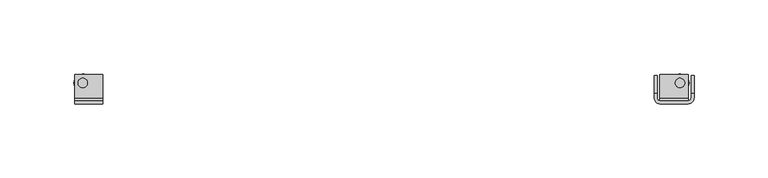
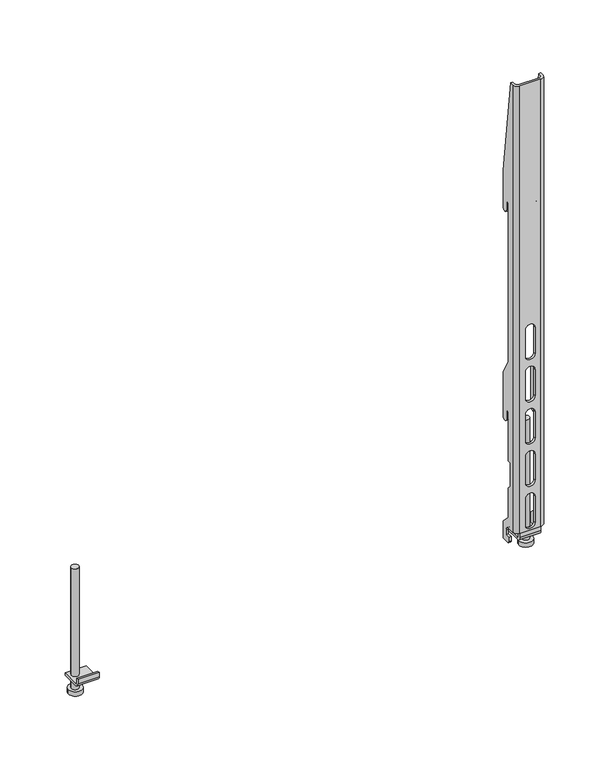
"""IFC4 building model written with IfcOpenShell, lengths in millimetres: furniture geometry."""

import ifcopenshell
import ifcopenshell.guid

model = None  # the IFC model being written
_history = None  # IfcOwnerHistory: only IFC2X3 demands one
_inside = {}  # id of a spatial element -> (the spatial element, [elements in it])
_under = {}  # id of a project, library or spatial element -> (it, [spatial elements below it])
_declared = {}  # id of a project -> (the project, [libraries it declares])
_typed = {}  # id of a type object -> (the type object, [elements of that type])
_made_of = {}  # id of a material, layer set ... -> (it, [elements and type objects made of it])


def new_model(schema):
    """Start an empty IFC model of exactly this schema.

    Asked for "IFC4X3", IfcOpenShell would pick the latest addendum, in which some entities
    have other attributes; the version numbers below select the first issue.
    IFC2X3 requires an IfcOwnerHistory on every rooted entity: one is made here for all.
    """
    global model, _history
    if schema == "IFC4X3":
        model = ifcopenshell.file(schema_version=(4, 3, 0, 0))
    else:
        model = ifcopenshell.file(schema=schema)
    _inside.clear()
    _under.clear()
    _declared.clear()
    _typed.clear()
    _made_of.clear()
    _history = None
    if model.schema == "IFC2X3":
        org = make("IfcOrganization", Name="unknown")
        user = make(
            "IfcPersonAndOrganization",
            ThePerson=make("IfcPerson", FamilyName="unknown"),
            TheOrganization=org,
        )
        app = make(
            "IfcApplication",
            ApplicationDeveloper=org,
            Version="unknown",
            ApplicationFullName="unknown",
            ApplicationIdentifier="unknown",
        )
        _history = make(
            "IfcOwnerHistory",
            OwningUser=user,
            OwningApplication=app,
            ChangeAction="ADDED",
            CreationDate=0,
        )
    return model


def make(cls, **values):
    """One entity of the class cls with the attributes given. An attribute that is None is left unset."""
    return model.create_entity(
        cls, **{name: value for name, value in values.items() if value is not None}
    )


def rooted(cls, **values):
    """An entity with a GlobalId (a new one), such as an element, a storey or a relation."""
    return make(cls, GlobalId=ifcopenshell.guid.new(), OwnerHistory=_history, **values)


def si_unit(unit_type, name, prefix=None):
    """IfcSIUnit, for example si_unit("LENGTHUNIT", "METRE", prefix="MILLI")."""
    return make("IfcSIUnit", UnitType=unit_type, Prefix=prefix, Name=name)


def assignment(units):
    """IfcUnitAssignment: the units of a project."""
    return None if units is None else make("IfcUnitAssignment", Units=units)


def point(xyz):
    """IfcCartesianPoint."""
    return None if xyz is None else make("IfcCartesianPoint", Coordinates=xyz)


def direction(xyz):
    """IfcDirection."""
    return None if xyz is None else make("IfcDirection", DirectionRatios=xyz)


def frame(location, z_axis=None, x_axis=None):
    """IfcAxis2Placement3D, a coordinate frame: its origin and axes. An axis left out is left unset."""
    return make(
        "IfcAxis2Placement3D",
        Location=point(location),
        Axis=direction(z_axis),
        RefDirection=direction(x_axis),
    )


def frame_2d(location, x_axis=None):
    """IfcAxis2Placement2D, a coordinate frame in the plane: its origin and x axis."""
    return make(
        "IfcAxis2Placement2D", Location=point(location), RefDirection=direction(x_axis)
    )


def origin():
    """The frame at (0, 0, 0) with its axes left unset."""
    return frame((0.0, 0.0, 0.0))


def place(relative_to, where):
    """IfcLocalPlacement: puts the frame where relative to a parent placement (None: the world)."""
    return make(
        "IfcLocalPlacement", PlacementRelTo=relative_to, RelativePlacement=where
    )


def context(
    kind, dimensions, precision=None, world=None, true_north=None, identifier=None
):
    """IfcGeometricRepresentationContext, for example the 3D "Model" context."""
    return make(
        "IfcGeometricRepresentationContext",
        ContextIdentifier=identifier,
        ContextType=kind,
        CoordinateSpaceDimension=dimensions,
        Precision=precision,
        WorldCoordinateSystem=world,
        TrueNorth=true_north,
    )


def project(units=None, contexts=None):
    """IfcProject with its units and contexts."""
    return rooted(
        "IfcProject",
        Name="project",
        RepresentationContexts=contexts,
        UnitsInContext=assignment(units),
    )


def spatial(cls, under=None, at=None, **own):
    """A site, building, storey or space (cls), placed at a placement, below another one or the project."""
    s = rooted(cls, ObjectPlacement=at, **own)
    if under is not None:
        _under.setdefault(under.id(), (under, []))[1].append(s)
    return s


def polyline(points):
    """IfcPolyline through the points."""
    return make("IfcPolyline", Points=[point(p) for p in points])


def circle_curve(where, radius):
    """IfcCircle in the frame where."""
    return make("IfcCircle", Position=where, Radius=radius)


def trimmed(basis, trim1, trim2, sense, master):
    """IfcTrimmedCurve: the piece of a basis curve between two trims."""
    return make(
        "IfcTrimmedCurve",
        BasisCurve=basis,
        Trim1=trim1,
        Trim2=trim2,
        SenseAgreement=sense,
        MasterRepresentation=master,
    )


def segment(curve, same_sense, transition):
    """IfcCompositeCurveSegment."""
    return make(
        "IfcCompositeCurveSegment",
        Transition=transition,
        SameSense=same_sense,
        ParentCurve=curve,
    )


def composite_curve(segments, self_intersect=None):
    """IfcCompositeCurve: segments joined end to end."""
    return make("IfcCompositeCurve", Segments=segments, SelfIntersect=self_intersect)


def outline(outer, holes=None, kind="AREA"):
    """IfcArbitraryClosedProfileDef: a profile drawn as a closed curve; with holes, ...WithVoids."""
    if holes is None:
        return make("IfcArbitraryClosedProfileDef", ProfileType=kind, OuterCurve=outer)
    return make(
        "IfcArbitraryProfileDefWithVoids",
        ProfileType=kind,
        OuterCurve=outer,
        InnerCurves=holes,
    )


def extrude(swept, where, along, depth):
    """IfcExtrudedAreaSolid: the profile swept, set in the frame where, extruded along a direction by depth."""
    return make(
        "IfcExtrudedAreaSolid",
        SweptArea=swept,
        Position=where,
        ExtrudedDirection=direction(along),
        Depth=depth,
    )


def shape(context_of_items, identifier, shape_type, items):
    """IfcShapeRepresentation: the items that make up one representation, for example the "Body"."""
    return make(
        "IfcShapeRepresentation",
        ContextOfItems=context_of_items,
        RepresentationIdentifier=identifier,
        RepresentationType=shape_type,
        Items=items,
    )


def source(mapping_origin, context_of_items, identifier, shape_type, items):
    """IfcRepresentationMap: a shape defined once, which mapped items show again and again."""
    return make(
        "IfcRepresentationMap",
        MappingOrigin=mapping_origin,
        MappedRepresentation=shape(context_of_items, identifier, shape_type, items),
    )


def transform(
    local_origin,
    x_axis=None,
    y_axis=None,
    z_axis=None,
    scale=None,
    scale2=None,
    scale3=None,
    uniform=True,
):
    """IfcCartesianTransformationOperator3D, or its non-uniform kind. x_axis, y_axis, z_axis: its Axis1, 2, 3."""
    if uniform:
        return make(
            "IfcCartesianTransformationOperator3D",
            Axis1=direction(x_axis),
            Axis2=direction(y_axis),
            LocalOrigin=point(local_origin),
            Scale=scale,
            Axis3=direction(z_axis),
        )
    return make(
        "IfcCartesianTransformationOperator3DnonUniform",
        Axis1=direction(x_axis),
        Axis2=direction(y_axis),
        LocalOrigin=point(local_origin),
        Scale=scale,
        Axis3=direction(z_axis),
        Scale2=scale2,
        Scale3=scale3,
    )


def mapped(mapping_source, mapping_target):
    """IfcMappedItem: shows the shape of a source again, moved by a transform."""
    return make(
        "IfcMappedItem", MappingSource=mapping_source, MappingTarget=mapping_target
    )


def made_of(thing, what):
    """Note that an element or type object is made of a material, layer set ...; save() writes the relation."""
    if what is not None:
        _made_of.setdefault(what.id(), (what, []))[1].append(thing)
    return thing


def element(
    cls,
    number,
    at=None,
    inside=None,
    cuts=None,
    type_object=None,
    material=None,
    context=None,
    identifier="Body",
    shape_type=None,
    held_by="IfcProductDefinitionShape",
    body=None,
    shapes=None,
    **own,
):
    """One element of the class cls, such as IfcWall. Its Tag is "e" and its number.

    at: its placement. inside: the storey or other place that contains it. cuts: it is an
    opening in that element (IfcRelVoidsElement). A single representation is given by context,
    identifier, shape_type and body (its items); several are given by shapes. held_by: the class
    of the entity that holds the representations. save() writes the other relations.
    """
    e = rooted(cls, Tag="e%d" % number, ObjectPlacement=at, **own)
    if body is not None:
        shapes = [shape(context, identifier, shape_type, body)]
    if shapes is not None:
        e.Representation = make(held_by, Representations=shapes)
    if inside is not None:
        _inside.setdefault(inside.id(), (inside, []))[1].append(e)
    if cuts is not None:
        rooted(
            "IfcRelVoidsElement", RelatingBuildingElement=cuts, RelatedOpeningElement=e
        )
    if type_object is not None:
        _typed.setdefault(type_object.id(), (type_object, []))[1].append(e)
    return made_of(e, material)


def aggregate(whole, parts):
    """IfcRelAggregates: a whole, such as a stair, and the parts it consists of."""
    return rooted("IfcRelAggregates", RelatingObject=whole, RelatedObjects=parts)


def save(model, path):
    """Write the relations noted so far, then the file.

    IfcRelAggregates (storeys below a building ...), IfcRelContainedInSpatialStructure (elements
    in a storey), IfcRelDefinesByType, IfcRelAssociatesMaterial and IfcRelDeclares: one each for
    every whole, place, type object, material and project.
    """
    for whole, parts in _under.values():
        aggregate(whole, parts)
    for where, things in _inside.values():
        rooted(
            "IfcRelContainedInSpatialStructure",
            RelatedElements=things,
            RelatingStructure=where,
        )
    for kind, things in _typed.values():
        rooted("IfcRelDefinesByType", RelatedObjects=things, RelatingType=kind)
    for what, things in _made_of.values():
        rooted("IfcRelAssociatesMaterial", RelatedObjects=things, RelatingMaterial=what)
    for by, libraries in _declared.values():
        rooted("IfcRelDeclares", RelatingContext=by, RelatedDefinitions=libraries)
    model.write(path)


def plane_surface(at):
    """IfcPlane: the flat surface through the origin of the frame at, square to its z axis."""
    return make("IfcPlane", Position=at)


def cylinder_surface(at, radius):
    """IfcCylindricalSurface: all points at the distance radius from the z axis of the frame at."""
    return make("IfcCylindricalSurface", Position=at, Radius=radius)


def revolved_surface(curve, axis_point, axis_direction):
    """IfcSurfaceOfRevolution: the curve turned about the line through axis_point along axis_direction."""
    return make(
        "IfcSurfaceOfRevolution",
        SweptCurve=make("IfcArbitraryOpenProfileDef", ProfileType="CURVE", Curve=curve),
        AxisPosition=make("IfcAxis1Placement", Location=point(axis_point), Axis=direction(axis_direction)),
    )


def advanced_brep(points, edges, surfaces, faces):
    """IfcAdvancedBrep: a solid bounded by faces that lie on surfaces and meet in shared edges.

    An edge is (start, end): straight between two places in points (the first is 0);
    or (start, end, curve); or (start, end, curve, False) where it runs against its curve.
    A face is (place in surfaces, loops), or (place, loops, False) where it looks against
    its surface's normal. A loop lists edges by number (the first is 1), with a minus sign
    where the edge is run from its end to its start. The first loop is the outer one.
    """
    corners = [point(p) for p in points]
    vertices = [make("IfcVertexPoint", VertexGeometry=c) for c in corners]
    made = []
    for start, end, *more in edges:
        made.append(
            make(
                "IfcEdgeCurve",
                EdgeStart=vertices[start],
                EdgeEnd=vertices[end],
                EdgeGeometry=more[0] if more else make("IfcPolyline", Points=[corners[start], corners[end]]),
                SameSense=more[1] if len(more) > 1 else True,
            )
        )
    hull = []
    for where, loops, *sense in faces:
        bounds = []
        for j, loop in enumerate(loops):
            ring = [make("IfcOrientedEdge", EdgeElement=made[abs(k) - 1], Orientation=k > 0) for k in loop]
            bounds.append(
                make(
                    "IfcFaceOuterBound" if j == 0 else "IfcFaceBound",
                    Bound=make("IfcEdgeLoop", EdgeList=ring),
                    Orientation=True,
                )
            )
        hull.append(make("IfcAdvancedFace", Bounds=bounds, FaceSurface=surfaces[where], SameSense=sense[0] if sense else True))
    return make("IfcAdvancedBrep", Outer=make("IfcClosedShell", CfsFaces=hull))


def furniture_352cd679(model_context):
    return source(origin(), model_context, "Body", "SolidModel", [
        extrude(outline(composite_curve([segment(polyline([(-36.9636277, 991.8279774), (-34.9636271, 991.8279774), (-34.9636271, 987.8279081)]), True, "CONTINUOUS"), segment(trimmed(circle_curve(frame_2d((-32.9636266, 987.8279081)), 2.0000006), [point((-34.9636271, 987.8279081))], [point((-32.9636266, 985.8279076))], True, "CARTESIAN"), True, "CONTINUOUS"), segment(polyline([(-32.9636266, 985.8279076), (-16.9636278, 985.8279076), (-16.9636278, 983.827957), (-32.9636266, 983.827957)]), True, "CONTINUOUS"), segment(trimmed(circle_curve(frame_2d((-32.9636266, 987.8279581)), 4.0000011), [point((-32.9636266, 983.827957))], [point((-36.9636277, 987.8279581))], False, "CARTESIAN"), True, "CONTINUOUS"), segment(polyline([(-36.9636277, 987.8279581), (-36.9636277, 991.8279774)]), True, "CONTINUOUS")], self_intersect=False)), frame((-209.6576124, 0.0, 0.0), z_axis=(1.0, 0.0, 0.0), x_axis=(0.0, 1.0, 0.0)), (0.0, 0.0, 1.0), 19.0000031),
        extrude(outline(composite_curve([segment(trimmed(circle_curve(frame_2d((-204.1576029, -22.8036272)), 3.1749879), [point((-207.3325908, -22.8036272))], [point((-200.9826151, -22.8036272))], False, "CARTESIAN"), True, "CONTINUOUS"), segment(trimmed(circle_curve(frame_2d((-204.1576029, -22.8036272)), 3.1749879), [point((-200.9826151, -22.8036272))], [point((-207.3325908, -22.8036272))], False, "CARTESIAN"), True, "CONTINUOUS")], self_intersect=False)), frame((0.0, 0.0, 973.8279133), z_axis=(0.0, 0.0, 1.0), x_axis=(1.0, 0.0, 0.0)), (0.0, 0.0, 1.0), 114.3),
        advanced_brep(
        [(181.8882982, -32.9636356, 1415.6279085), (185.8882902, -36.9636277, 1415.6279085), (204.8882842, -36.9636277, 1415.6279085), (208.8882853, -32.9636266, 1415.6279085), (208.8882853, -29.9636247, 1415.6279085), (206.8882984, -29.9636247, 1415.6279085), (206.8882984, -32.9636266, 1415.6279085), (204.8882978, -34.9636271, 1415.6279085), (185.8882902, -34.9636271, 1415.6279085), (183.8882851, -32.963622, 1415.6279085), (183.8882851, -29.9636247, 1415.6279085), (181.8882982, -29.9636247, 1415.6279085), (206.8882984, -17.9636269, 977.3279177), (208.8882853, -17.9636269, 977.3279177), (208.8882853, -24.9636266, 977.3279177), (206.8882984, -24.9636266, 977.3279177), (181.8882982, -17.9636269, 977.3279177), (183.8882851, -17.9636269, 977.3279177), (183.8882851, -24.9636266, 977.3279177), (181.8882982, -24.9636266, 977.3279177), (181.8882982, -17.9636269, 1325.6279783), (181.8882982, -17.9636269, 1291.4779284), (181.8882982, -23.4636273, 1291.4779284), (181.8882982, -23.4636273, 1299.7278608), (181.8882982, -26.4636259, 1299.7278608), (181.8882982, -26.4636259, 1149.7279041), (181.8882982, -17.9636269, 1135.0055308), (181.8882982, -17.9636269, 1093.4779501), (181.8882982, -23.4636273, 1093.4779501), (181.8882982, -23.4636273, 1101.7279552), (181.8882982, -26.4636259, 1101.7279552), (181.8882982, -26.4636259, 1055.2279593), (181.8882982, -29.4636267, 1055.2279593), (181.8882982, -29.4636267, 1033.1510365), (181.8882982, -26.4636259, 1029.7697004), (181.8882982, -26.4636259, 1001.7278977), (181.8882982, -17.9636269, 993.2278975), (181.8882982, -26.9636272, 979.3279182), (181.8882982, -26.9636272, 983.3279148), (181.8882982, -22.963626, 983.3279148), (181.8882982, -22.963626, 987.8279308), (181.8882982, -26.9636726, 991.8279774), (181.8882982, -32.9636356, 991.8279774), (183.8882851, -17.9636269, 993.2278975), (183.8882851, -17.9636269, 1325.6279783), (183.8882851, -17.9636269, 1291.4779284), (183.8882851, -17.9636269, 1135.0055308), (183.8882851, -17.9636269, 1093.4779501), (183.8882851, -32.963622, 991.8279774), (183.8882851, -26.9636726, 991.8279774), (183.8882851, -22.963626, 987.8279308), (183.8882851, -22.963626, 983.3279148), (183.8882851, -26.9636272, 983.3279148), (183.8882851, -26.9636272, 979.3279182), (183.8882851, -26.4636259, 1001.7278977), (183.8882851, -26.4636259, 1029.7697004), (183.8882851, -29.4636267, 1033.1510365), (183.8882851, -29.4636267, 1055.2279593), (183.8882851, -26.4636259, 1055.2279593), (183.8882851, -26.4636259, 1101.7279552), (183.8882851, -23.4636273, 1101.7279552), (183.8882851, -23.4636273, 1093.4779501), (183.8882851, -26.4636259, 1149.7279041), (183.8882851, -26.4636259, 1299.7278608), (183.8882851, -23.4636273, 1299.7278608), (183.8882851, -23.4636273, 1291.4779284), (185.8882902, -34.9636271, 991.8279774), (204.8882978, -34.9636271, 991.8279774), (191.1382968, -34.9636271, 1182.2279108), (191.1382968, -34.9636271, 1157.4278984), (199.6382867, -34.9636271, 1157.4278984), (199.6382867, -34.9636271, 1182.2279108), (191.1382968, -34.9636271, 1142.2279541), (191.1382968, -34.9636271, 1117.4279417), (199.6382867, -34.9636271, 1117.4279417), (199.6382867, -34.9636271, 1142.2279541), (191.1382968, -34.9636271, 1102.2279247), (191.1382968, -34.9636271, 1077.4279123), (199.6382867, -34.9636271, 1077.4279123), (199.6382867, -34.9636271, 1102.2279247), (191.1382968, -34.9636271, 1062.2278954), (191.1382968, -34.9636271, 1037.427883), (199.6382867, -34.9636271, 1037.427883), (199.6382867, -34.9636271, 1062.2278954), (191.1382968, -34.9636271, 1022.2279387), (191.1382968, -34.9636271, 997.4279263), (199.6382867, -34.9636271, 997.4279263), (199.6382867, -34.9636271, 1022.2279387), (206.8882984, -32.9636266, 991.8279774), (206.8882984, -17.9636269, 1325.6279783), (206.8882984, -17.9636269, 1291.4779284), (206.8882984, -23.4636273, 1291.4779284), (206.8882984, -23.4636273, 1299.7278608), (206.8882984, -26.4636259, 1299.7278608), (206.8882984, -26.4636259, 1149.7279041), (206.8882984, -17.9636269, 1135.0055308), (206.8882984, -17.9636269, 1093.4779501), (206.8882984, -23.4636273, 1093.4779501), (206.8882984, -23.4636273, 1101.7279552), (206.8882984, -26.4636259, 1101.7279552), (206.8882984, -26.4636259, 1055.2279593), (206.8882984, -29.4636267, 1055.2279593), (206.8882984, -29.4636267, 1033.1510365), (206.8882984, -26.4636259, 1029.7697004), (206.8882984, -26.4636259, 1001.7278977), (206.8882984, -17.9636269, 993.2278975), (206.8882984, -26.9636272, 979.3279182), (206.8882984, -26.9636272, 983.3279148), (206.8882984, -22.963626, 983.3279148), (206.8882984, -22.963626, 987.8279308), (206.8882984, -26.9636726, 991.8279774), (208.8882853, -17.9636269, 993.2278975), (208.8882853, -17.9636269, 1325.6279783), (208.8882853, -17.9636269, 1291.4779284), (208.8882853, -17.9636269, 1135.0055308), (208.8882853, -17.9636269, 1093.4779501), (208.8882853, -32.9636266, 991.8279774), (208.8882853, -26.9636726, 991.8279774), (208.8882853, -22.963626, 987.8279308), (208.8882853, -22.963626, 983.3279148), (208.8882853, -26.9636272, 983.3279148), (208.8882853, -26.9636272, 979.3279182), (208.8882853, -26.4636259, 1001.7278977), (208.8882853, -26.4636259, 1029.7697004), (208.8882853, -29.4636267, 1033.1510365), (208.8882853, -29.4636267, 1055.2279593), (208.8882853, -26.4636259, 1055.2279593), (208.8882853, -26.4636259, 1101.7279552), (208.8882853, -23.4636273, 1101.7279552), (208.8882853, -23.4636273, 1093.4779501), (208.8882853, -26.4636259, 1149.7279041), (208.8882853, -26.4636259, 1299.7278608), (208.8882853, -23.4636273, 1299.7278608), (208.8882853, -23.4636273, 1291.4779284), (204.8882842, -36.9636277, 991.8279774), (185.8882902, -36.9636277, 991.8279774), (191.1382968, -36.9636277, 1157.4278984), (191.1382968, -36.9636277, 1182.2279108), (199.6382867, -36.9636277, 1182.2279108), (199.6382867, -36.9636277, 1157.4278984), (191.1382968, -36.9636277, 1117.4279417), (191.1382968, -36.9636277, 1142.2279541), (199.6382867, -36.9636277, 1142.2279541), (199.6382867, -36.9636277, 1117.4279417), (191.1382968, -36.9636277, 1077.4279123), (191.1382968, -36.9636277, 1102.2279247), (199.6382867, -36.9636277, 1102.2279247), (199.6382867, -36.9636277, 1077.4279123), (191.1382968, -36.9636277, 1037.427883), (191.1382968, -36.9636277, 1062.2278954), (199.6382867, -36.9636277, 1062.2278954), (199.6382867, -36.9636277, 1037.427883), (191.1382968, -36.9636277, 997.4279263), (191.1382968, -36.9636277, 1022.2279387), (199.6382867, -36.9636277, 1022.2279387), (199.6382867, -36.9636277, 997.4279263)],
        [
            (0, 1, circle_curve(frame((185.8882902, -32.9636356, 1415.6279085), z_axis=(0.0, 0.0, 1.0), x_axis=(-1.0, 0.0, 0.0)), 3.999992)),
            (1, 2),
            (2, 3, circle_curve(frame((204.8882842, -32.9636266, 1415.6279085), z_axis=(0.0, 0.0, 1.0), x_axis=(-1.0, 0.0, 0.0)), 4.0000011)),
            (3, 4),
            (4, 5),
            (5, 6),
            (6, 7, circle_curve(frame((204.8882978, -32.9636266, 1415.6279085), z_axis=(0.0, 0.0, -1.0), x_axis=(-1.0, 0.0, 0.0)), 2.0000006)),
            (7, 8),
            (8, 9, circle_curve(frame((185.8882902, -32.963622, 1415.6279085), z_axis=(0.0, 0.0, -1.0), x_axis=(-1.0, 0.0, 0.0)), 2.0000051)),
            (9, 10),
            (10, 11),
            (11, 0),
            (12, 13),
            (13, 14),
            (14, 15),
            (15, 12),
            (16, 17),
            (17, 18),
            (18, 19),
            (19, 16),
            (11, 20),
            (20, 21),
            (21, 22, circle_curve(frame((181.8882982, -20.7136271, 1291.4779284), z_axis=(-1.0, 0.0, 0.0), x_axis=(0.0, -1.0, 0.0)), 2.7500002)),
            (22, 23),
            (23, 24),
            (24, 25),
            (25, 26),
            (26, 27),
            (27, 28, circle_curve(frame((181.8882982, -20.7136271, 1093.4779501), z_axis=(-1.0, 0.0, 0.0), x_axis=(0.0, -1.0, 0.0)), 2.7500002)),
            (28, 29),
            (29, 30),
            (30, 31),
            (31, 32),
            (32, 33),
            (33, 34),
            (34, 35),
            (35, 36),
            (36, 16),
            (19, 37, circle_curve(frame((181.8882982, -24.9636266, 979.3279182), z_axis=(-1.0, 0.0, 0.0), x_axis=(0.0, -1.0, 0.0)), 2.0000006)),
            (37, 38),
            (38, 39),
            (39, 40),
            (40, 41, circle_curve(frame((181.8882982, -26.9636726, 987.8279308), z_axis=(1.0, 0.0, 0.0), x_axis=(0.0, -1.0, 0.0)), 4.0000465)),
            (41, 42),
            (42, 0),
            (36, 43),
            (43, 17),
            (20, 44),
            (44, 45),
            (45, 21),
            (26, 46),
            (46, 47),
            (47, 27),
            (9, 48),
            (48, 49),
            (49, 50, circle_curve(frame((183.8882851, -26.9636726, 987.8279308), z_axis=(-1.0, 0.0, 0.0), x_axis=(0.0, -1.0, 0.0)), 4.0000465)),
            (50, 51),
            (51, 52),
            (52, 53),
            (53, 18, circle_curve(frame((183.8882851, -24.9636266, 979.3279182), z_axis=(1.0, 0.0, 0.0), x_axis=(0.0, -1.0, 0.0)), 2.0000006)),
            (43, 54),
            (54, 55),
            (55, 56),
            (56, 57),
            (57, 58),
            (58, 59),
            (59, 60),
            (60, 61),
            (61, 47, circle_curve(frame((183.8882851, -20.7136271, 1093.4779501), z_axis=(1.0, 0.0, 0.0), x_axis=(0.0, -1.0, 0.0)), 2.7500002)),
            (46, 62),
            (62, 63),
            (63, 64),
            (64, 65),
            (65, 45, circle_curve(frame((183.8882851, -20.7136271, 1291.4779284), z_axis=(1.0, 0.0, 0.0), x_axis=(0.0, -1.0, 0.0)), 2.7500002)),
            (44, 10),
            (8, 66),
            (66, 48, circle_curve(frame((185.8882902, -32.963622, 991.8279774), z_axis=(0.0, 0.0, -1.0), x_axis=(-1.0, 0.0, 0.0)), 2.0000051)),
            (7, 67),
            (67, 66),
            (68, 69),
            (69, 70, circle_curve(frame((195.3882917, -34.9636271, 1157.4278984), z_axis=(0.0, -1.0, 0.0), x_axis=(-1.0, 0.0, 0.0)), 4.2499949)),
            (70, 71),
            (71, 68, circle_curve(frame((195.3882917, -34.9636271, 1182.2279108), z_axis=(0.0, -1.0, 0.0), x_axis=(-1.0, 0.0, 0.0)), 4.2499949)),
            (72, 73),
            (73, 74, circle_curve(frame((195.3882917, -34.9636271, 1117.4279417), z_axis=(0.0, -1.0, 0.0), x_axis=(-1.0, 0.0, 0.0)), 4.2499949)),
            (74, 75),
            (75, 72, circle_curve(frame((195.3882917, -34.9636271, 1142.2279541), z_axis=(0.0, -1.0, 0.0), x_axis=(-1.0, 0.0, 0.0)), 4.2499949)),
            (76, 77),
            (77, 78, circle_curve(frame((195.3882917, -34.9636271, 1077.4279123), z_axis=(0.0, -1.0, 0.0), x_axis=(-1.0, 0.0, 0.0)), 4.2499949)),
            (78, 79),
            (79, 76, circle_curve(frame((195.3882917, -34.9636271, 1102.2279247), z_axis=(0.0, -1.0, 0.0), x_axis=(-1.0, 0.0, 0.0)), 4.2499949)),
            (80, 81),
            (81, 82, circle_curve(frame((195.3882917, -34.9636271, 1037.427883), z_axis=(0.0, -1.0, 0.0), x_axis=(-1.0, 0.0, 0.0)), 4.2499949)),
            (82, 83),
            (83, 80, circle_curve(frame((195.3882917, -34.9636271, 1062.2278954), z_axis=(0.0, -1.0, 0.0), x_axis=(-1.0, 0.0, 0.0)), 4.2499949)),
            (84, 85),
            (85, 86, circle_curve(frame((195.3882917, -34.9636271, 997.4279263), z_axis=(0.0, -1.0, 0.0), x_axis=(-1.0, 0.0, 0.0)), 4.2499949)),
            (86, 87),
            (87, 84, circle_curve(frame((195.3882917, -34.9636271, 1022.2279387), z_axis=(0.0, -1.0, 0.0), x_axis=(-1.0, 0.0, 0.0)), 4.2499949)),
            (6, 88),
            (88, 67, circle_curve(frame((204.8882978, -32.9636266, 991.8279774), z_axis=(0.0, 0.0, -1.0), x_axis=(-1.0, 0.0, 0.0)), 2.0000006)),
            (5, 89),
            (89, 90),
            (90, 91, circle_curve(frame((206.8882984, -20.7136271, 1291.4779284), z_axis=(-1.0, 0.0, 0.0), x_axis=(0.0, -1.0, 0.0)), 2.7500002)),
            (91, 92),
            (92, 93),
            (93, 94),
            (94, 95),
            (95, 96),
            (96, 97, circle_curve(frame((206.8882984, -20.7136271, 1093.4779501), z_axis=(-1.0, 0.0, 0.0), x_axis=(0.0, -1.0, 0.0)), 2.7500002)),
            (97, 98),
            (98, 99),
            (99, 100),
            (100, 101),
            (101, 102),
            (102, 103),
            (103, 104),
            (104, 105),
            (105, 12),
            (15, 106, circle_curve(frame((206.8882984, -24.9636266, 979.3279182), z_axis=(-1.0, 0.0, 0.0), x_axis=(0.0, -1.0, 0.0)), 2.0000006)),
            (106, 107),
            (107, 108),
            (108, 109),
            (109, 110, circle_curve(frame((206.8882984, -26.9636726, 987.8279308), z_axis=(1.0, 0.0, 0.0), x_axis=(0.0, -1.0, 0.0)), 4.0000465)),
            (110, 88),
            (105, 111),
            (111, 13),
            (89, 112),
            (112, 113),
            (113, 90),
            (95, 114),
            (114, 115),
            (115, 96),
            (3, 116),
            (116, 117),
            (117, 118, circle_curve(frame((208.8882853, -26.9636726, 987.8279308), z_axis=(-1.0, 0.0, 0.0), x_axis=(0.0, -1.0, 0.0)), 4.0000465)),
            (118, 119),
            (119, 120),
            (120, 121),
            (121, 14, circle_curve(frame((208.8882853, -24.9636266, 979.3279182), z_axis=(1.0, 0.0, 0.0), x_axis=(0.0, -1.0, 0.0)), 2.0000006)),
            (111, 122),
            (122, 123),
            (123, 124),
            (124, 125),
            (125, 126),
            (126, 127),
            (127, 128),
            (128, 129),
            (129, 115, circle_curve(frame((208.8882853, -20.7136271, 1093.4779501), z_axis=(1.0, 0.0, 0.0), x_axis=(0.0, -1.0, 0.0)), 2.7500002)),
            (114, 130),
            (130, 131),
            (131, 132),
            (132, 133),
            (133, 113, circle_curve(frame((208.8882853, -20.7136271, 1291.4779284), z_axis=(1.0, 0.0, 0.0), x_axis=(0.0, -1.0, 0.0)), 2.7500002)),
            (112, 4),
            (2, 134),
            (134, 116, circle_curve(frame((204.8882842, -32.9636266, 991.8279774), z_axis=(0.0, 0.0, 1.0), x_axis=(-1.0, 0.0, 0.0)), 4.0000011)),
            (1, 135),
            (135, 134),
            (136, 137),
            (137, 138, circle_curve(frame((195.3882917, -36.9636277, 1182.2279108), z_axis=(0.0, 1.0, 0.0), x_axis=(-1.0, 0.0, 0.0)), 4.2499949)),
            (138, 139),
            (139, 136, circle_curve(frame((195.3882917, -36.9636277, 1157.4278984), z_axis=(0.0, 1.0, 0.0), x_axis=(-1.0, 0.0, 0.0)), 4.2499949)),
            (140, 141),
            (141, 142, circle_curve(frame((195.3882917, -36.9636277, 1142.2279541), z_axis=(0.0, 1.0, 0.0), x_axis=(-1.0, 0.0, 0.0)), 4.2499949)),
            (142, 143),
            (143, 140, circle_curve(frame((195.3882917, -36.9636277, 1117.4279417), z_axis=(0.0, 1.0, 0.0), x_axis=(-1.0, 0.0, 0.0)), 4.2499949)),
            (144, 145),
            (145, 146, circle_curve(frame((195.3882917, -36.9636277, 1102.2279247), z_axis=(0.0, 1.0, 0.0), x_axis=(-1.0, 0.0, 0.0)), 4.2499949)),
            (146, 147),
            (147, 144, circle_curve(frame((195.3882917, -36.9636277, 1077.4279123), z_axis=(0.0, 1.0, 0.0), x_axis=(-1.0, 0.0, 0.0)), 4.2499949)),
            (148, 149),
            (149, 150, circle_curve(frame((195.3882917, -36.9636277, 1062.2278954), z_axis=(0.0, 1.0, 0.0), x_axis=(-1.0, 0.0, 0.0)), 4.2499949)),
            (150, 151),
            (151, 148, circle_curve(frame((195.3882917, -36.9636277, 1037.427883), z_axis=(0.0, 1.0, 0.0), x_axis=(-1.0, 0.0, 0.0)), 4.2499949)),
            (152, 153),
            (153, 154, circle_curve(frame((195.3882917, -36.9636277, 1022.2279387), z_axis=(0.0, 1.0, 0.0), x_axis=(-1.0, 0.0, 0.0)), 4.2499949)),
            (154, 155),
            (155, 152, circle_curve(frame((195.3882917, -36.9636277, 997.4279263), z_axis=(0.0, 1.0, 0.0), x_axis=(-1.0, 0.0, 0.0)), 4.2499949)),
            (42, 135, circle_curve(frame((185.8882902, -32.9636356, 991.8279774), z_axis=(0.0, 0.0, 1.0), x_axis=(-1.0, 0.0, 0.0)), 3.999992)),
            (68, 137),
            (136, 69),
            (71, 138),
            (70, 139),
            (72, 141),
            (140, 73),
            (75, 142),
            (74, 143),
            (76, 145),
            (144, 77),
            (79, 146),
            (78, 147),
            (80, 149),
            (148, 81),
            (83, 150),
            (82, 151),
            (84, 153),
            (152, 85),
            (87, 154),
            (86, 155),
            (24, 63),
            (62, 25),
            (93, 131),
            (130, 94),
            (65, 22),
            (133, 91),
            (64, 23),
            (132, 92),
            (30, 59),
            (58, 31),
            (99, 127),
            (126, 100),
            (57, 32),
            (125, 101),
            (56, 33),
            (124, 102),
            (55, 34),
            (123, 103),
            (54, 35),
            (122, 104),
            (61, 28),
            (129, 97),
            (60, 29),
            (128, 98),
            (41, 49),
            (110, 117),
            (53, 37),
            (121, 106),
            (52, 38),
            (120, 107),
            (51, 39),
            (119, 108),
            (50, 40),
            (118, 109),
        ],
        [
            plane_surface(frame((181.8882982, -32.9636356, 1415.6279085), z_axis=(0.0, 0.0, 1.0), x_axis=(0.0, -1.0, 0.0))),
            plane_surface(frame((181.8882982, -32.9636356, 977.3279177), z_axis=(0.0, 0.0, -1.0), x_axis=(0.0, 1.0, 0.0))),
            plane_surface(frame((181.8882982, -17.9636269, 1415.6279085), z_axis=(-1.0, 0.0, 0.0), x_axis=(0.0, 0.0, -1.0))),
            plane_surface(frame((183.8882851, -17.9636269, 1415.6279085), z_axis=(0.0, 1.0, 0.0), x_axis=(0.0, 0.0, -1.0))),
            plane_surface(frame((183.8882851, -32.963622, 1415.6279085), z_axis=(1.0, 0.0, 0.0), x_axis=(0.0, 0.0, -1.0))),
            revolved_surface(polyline([(183.8882851, -32.963622, 991.8279774), (183.8882851, -32.963622, 1415.6279085)]), (185.8882902, -32.963622, 977.3279177), (0.0, 0.0, -1.0)),
            plane_surface(frame((204.8882978, -34.9636271, 1415.6279085), z_axis=(0.0, 1.0, 0.0), x_axis=(0.0, 0.0, -1.0))),
            revolved_surface(polyline([(202.8882972, -32.9636266, 991.8279774), (202.8882972, -32.9636266, 1415.6279085)]), (204.8882978, -32.9636266, 977.3279177), (0.0, 0.0, -1.0)),
            plane_surface(frame((206.8882984, -17.9636269, 1415.6279085), z_axis=(-1.0, 0.0, 0.0), x_axis=(0.0, 0.0, -1.0))),
            plane_surface(frame((208.8882853, -17.9636269, 1415.6279085), z_axis=(0.0, 1.0, 0.0), x_axis=(0.0, 0.0, -1.0))),
            plane_surface(frame((208.8882853, -32.9636266, 1415.6279085), z_axis=(1.0, 0.0, 0.0), x_axis=(0.0, 0.0, -1.0))),
            cylinder_surface(frame((204.8882842, -32.9636266, 977.3279177), z_axis=(0.0, 0.0, 1.0), x_axis=(-1.0, 0.0, 0.0)), 4.0000011),
            plane_surface(frame((185.8882902, -36.9636277, 1415.6279085), z_axis=(0.0, -1.0, 0.0), x_axis=(0.0, 0.0, -1.0))),
            cylinder_surface(frame((185.8882902, -32.9636356, 977.3279177), z_axis=(0.0, 0.0, 1.0), x_axis=(-1.0, 0.0, 0.0)), 3.999992),
            plane_surface(frame((191.1382968, -43.4479611, 1182.2279108), z_axis=(1.0, 0.0, 0.0), x_axis=(0.0, 1.0, 0.0))),
            revolved_surface(polyline([(191.1382968, -36.9636277, 1182.2279108), (191.1382968, -34.9636271, 1182.2279108)]), (195.3882917, -32.0423365, 1182.2279108), (0.0, -1.0, 0.0)),
            plane_surface(frame((199.6382867, -43.4479611, 1157.4278984), z_axis=(-1.0, 0.0, 0.0), x_axis=(0.0, 1.0, 0.0))),
            revolved_surface(polyline([(191.1382968, -36.9636277, 1157.4278984), (191.1382968, -34.9636271, 1157.4278984)]), (195.3882917, -32.0423365, 1157.4278984), (0.0, -1.0, 0.0)),
            plane_surface(frame((191.1382968, -43.4479611, 1142.2279541), z_axis=(1.0, 0.0, 0.0), x_axis=(0.0, 1.0, 0.0))),
            revolved_surface(polyline([(191.1382968, -36.9636277, 1142.2279541), (191.1382968, -34.9636271, 1142.2279541)]), (195.3882917, 0.0, 1142.2279541), (0.0, -1.0, 0.0)),
            plane_surface(frame((199.6382867, -43.4479611, 1117.4279417), z_axis=(-1.0, 0.0, 0.0), x_axis=(0.0, 1.0, 0.0))),
            revolved_surface(polyline([(191.1382968, -36.9636277, 1117.4279417), (191.1382968, -34.9636271, 1117.4279417)]), (195.3882917, 0.0, 1117.4279417), (0.0, -1.0, 0.0)),
            plane_surface(frame((191.1382968, -43.4479611, 1102.2279247), z_axis=(1.0, 0.0, 0.0), x_axis=(0.0, 1.0, 0.0))),
            revolved_surface(polyline([(191.1382968, -36.9636277, 1102.2279247), (191.1382968, -34.9636271, 1102.2279247)]), (195.3882917, 0.0, 1102.2279247), (0.0, -1.0, 0.0)),
            plane_surface(frame((199.6382867, -43.4479611, 1077.4279123), z_axis=(-1.0, 0.0, 0.0), x_axis=(0.0, 1.0, 0.0))),
            revolved_surface(polyline([(191.1382968, -36.9636277, 1077.4279123), (191.1382968, -34.9636271, 1077.4279123)]), (195.3882917, 0.0, 1077.4279123), (0.0, -1.0, 0.0)),
            plane_surface(frame((191.1382968, -43.4479611, 1062.2278954), z_axis=(1.0, 0.0, 0.0), x_axis=(0.0, 1.0, 0.0))),
            revolved_surface(polyline([(191.1382968, -36.9636277, 1062.2278954), (191.1382968, -34.9636271, 1062.2278954)]), (195.3882917, 0.0, 1062.2278954), (0.0, -1.0, 0.0)),
            plane_surface(frame((199.6382867, -43.4479611, 1037.427883), z_axis=(-1.0, 0.0, 0.0), x_axis=(0.0, 1.0, 0.0))),
            revolved_surface(polyline([(191.1382968, -36.9636277, 1037.427883), (191.1382968, -34.9636271, 1037.427883)]), (195.3882917, 0.0, 1037.427883), (0.0, -1.0, 0.0)),
            plane_surface(frame((191.1382968, -43.4479611, 1022.2279387), z_axis=(1.0, 0.0, 0.0), x_axis=(0.0, 1.0, 0.0))),
            revolved_surface(polyline([(191.1382968, -36.9636277, 1022.2279387), (191.1382968, -34.9636271, 1022.2279387)]), (195.3882917, 0.0, 1022.2279387), (0.0, -1.0, 0.0)),
            plane_surface(frame((199.6382867, -43.4479611, 997.4279263), z_axis=(-1.0, 0.0, 0.0), x_axis=(0.0, 1.0, 0.0))),
            revolved_surface(polyline([(191.1382968, -36.9636277, 997.4279263), (191.1382968, -34.9636271, 997.4279263)]), (195.3882917, 0.0, 997.4279263), (0.0, -1.0, 0.0)),
            plane_surface(frame((226.6458366, -29.9636247, 1415.6279085), z_axis=(0.0, 0.9912278903845622, 0.13216379732653882), x_axis=(-1.0, 0.0, 0.0))),
            plane_surface(frame((226.6458366, -26.4636259, 1299.7278608), z_axis=(0.0, 1.0, 0.0), x_axis=(-1.0, 0.0, 0.0))),
            plane_surface(frame((226.6458366, -26.4636259, 1149.7279041), z_axis=(0.0, 0.8660245695453659, 0.5000014449416761), x_axis=(-1.0, 0.0, 0.0))),
            cylinder_surface(frame((0.0, -20.7136271, 1291.4779284), z_axis=(-1.0, 0.0, 0.0), x_axis=(0.0, -1.0, 0.0)), 2.7500002),
            plane_surface(frame((226.6458366, -23.4636273, 1291.4779284), z_axis=(0.0, -1.0, 0.0), x_axis=(-1.0, 0.0, 0.0))),
            plane_surface(frame((226.6458366, -23.4636273, 1299.7278608), z_axis=(0.0, 0.0, -1.0), x_axis=(-1.0, 0.0, 0.0))),
            plane_surface(frame((226.6458366, -26.4636259, 1101.7279552), z_axis=(0.0, 1.0, 0.0), x_axis=(-1.0, 0.0, 0.0))),
            plane_surface(frame((226.6458366, -26.4636259, 1055.2279593), z_axis=(0.0, 0.0, -1.0), x_axis=(-1.0, 0.0, 0.0))),
            plane_surface(frame((226.6458366, -29.4636267, 1055.2279593), z_axis=(0.0, 1.0, 0.0), x_axis=(-1.0, 0.0, 0.0))),
            plane_surface(frame((226.6458366, -29.4636267, 1033.1510365), z_axis=(0.0, 0.7480275709207617, 0.6636676526262109), x_axis=(-1.0, 0.0, 0.0))),
            plane_surface(frame((226.6458366, -26.4636259, 1029.7697004), z_axis=(0.0, 1.0, 0.0), x_axis=(-1.0, 0.0, 0.0))),
            plane_surface(frame((226.6458366, -26.4636259, 1001.7278977), z_axis=(0.0, 0.7071068328679035, 0.7071067295051878), x_axis=(-1.0, 0.0, 0.0))),
            cylinder_surface(frame((0.0, -20.7136271, 1093.4779501), z_axis=(-1.0, 0.0, 0.0), x_axis=(0.0, -1.0, 0.0)), 2.7500002),
            plane_surface(frame((226.6458366, -23.4636273, 1093.4779501), z_axis=(0.0, -1.0, 0.0), x_axis=(-1.0, 0.0, 0.0))),
            plane_surface(frame((226.6458366, -23.4636273, 1101.7279552), z_axis=(0.0, 0.0, -1.0), x_axis=(-1.0, 0.0, 0.0))),
            plane_surface(frame((226.6458366, -26.9636726, 991.8279774), z_axis=(0.0, 0.0, -1.0), x_axis=(-1.0, 0.0, 0.0))),
            cylinder_surface(frame((0.0, -24.9636266, 979.3279182), z_axis=(-1.0, 0.0, 0.0), x_axis=(0.0, -1.0, 0.0)), 2.0000006),
            plane_surface(frame((226.6458366, -26.9636272, 979.3279182), z_axis=(0.0, -1.0, 0.0), x_axis=(-1.0, 0.0, 0.0))),
            plane_surface(frame((226.6458366, -26.9636272, 983.3279148), z_axis=(0.0, 0.0, 1.0), x_axis=(-1.0, 0.0, 0.0))),
            plane_surface(frame((226.6458366, -22.963626, 983.3279148), z_axis=(0.0, -1.0, 0.0), x_axis=(-1.0, 0.0, 0.0))),
            revolved_surface(polyline([(183.8882851, -30.9637191, 987.8279308), (181.8882982, -30.9637191, 987.8279308)]), (0.0, -26.9636726, 987.8279308), (1.0, 0.0, 0.0)),
            revolved_surface(polyline([(208.8882853, -30.9637191, 987.8279308), (206.8882984, -30.9637191, 987.8279308)]), (0.0, -26.9636726, 987.8279308), (1.0, 0.0, 0.0)),
        ],
        [
            (0, [[1, 2, 3, 4, 5, 6, 7, 8, 9, 10, 11, 12]]),
            (1, [[13, 14, 15, 16]]),
            (1, [[17, 18, 19, 20]]),
            (2, [[-12, 21, 22, 23, 24, 25, 26, 27, 28, 29, 30, 31, 32, 33, 34, 35, 36, 37, 38, -20, 39, 40, 41, 42, 43, 44, 45]]),
            (3, [[-17, -38, 46, 47]]),
            (3, [[-22, 48, 49, 50]]),
            (3, [[-28, 51, 52, 53]]),
            (4, [[-10, 54, 55, 56, 57, 58, 59, 60, -18, -47, 61, 62, 63, 64, 65, 66, 67, 68, 69, -52, 70, 71, 72, 73, 74, -49, 75]]),
            (5, [[-9, 76, 77, -54]]),
            (6, [[-8, 78, 79, -76], [80, 81, 82, 83], [84, 85, 86, 87], [88, 89, 90, 91], [92, 93, 94, 95], [96, 97, 98, 99]]),
            (7, [[-7, 100, 101, -78]]),
            (8, [[-6, 102, 103, 104, 105, 106, 107, 108, 109, 110, 111, 112, 113, 114, 115, 116, 117, 118, 119, -16, 120, 121, 122, 123, 124, 125, -100]]),
            (9, [[-13, -119, 126, 127]]),
            (9, [[-103, 128, 129, 130]]),
            (9, [[-109, 131, 132, 133]]),
            (10, [[-4, 134, 135, 136, 137, 138, 139, 140, -14, -127, 141, 142, 143, 144, 145, 146, 147, 148, 149, -132, 150, 151, 152, 153, 154, -129, 155]]),
            (11, [[-3, 156, 157, -134]]),
            (12, [[-2, 158, 159, -156], [160, 161, 162, 163], [164, 165, 166, 167], [168, 169, 170, 171], [172, 173, 174, 175], [176, 177, 178, 179]]),
            (13, [[-1, -45, 180, -158]]),
            (14, [[181, -160, 182, -80]]),
            (15, [[-181, -83, 183, -161]]),
            (16, [[-183, -82, 184, -162]]),
            (17, [[-184, -81, -182, -163]]),
            (18, [[185, -164, 186, -84]]),
            (19, [[-185, -87, 187, -165]]),
            (20, [[-187, -86, 188, -166]]),
            (21, [[-188, -85, -186, -167]]),
            (22, [[189, -168, 190, -88]]),
            (23, [[-189, -91, 191, -169]]),
            (24, [[-191, -90, 192, -170]]),
            (25, [[-192, -89, -190, -171]]),
            (26, [[193, -172, 194, -92]]),
            (27, [[-193, -95, 195, -173]]),
            (28, [[-195, -94, 196, -174]]),
            (29, [[-196, -93, -194, -175]]),
            (30, [[197, -176, 198, -96]]),
            (31, [[-197, -99, 199, -177]]),
            (32, [[-199, -98, 200, -178]]),
            (33, [[-200, -97, -198, -179]]),
            (34, [[-5, -155, -128, -102]]),
            (34, [[-11, -75, -48, -21]]),
            (35, [[201, -71, 202, -26]]),
            (35, [[203, -151, 204, -107]]),
            (36, [[-202, -70, -51, -27]]),
            (36, [[-204, -150, -131, -108]]),
            (37, [[205, -23, -50, -74]]),
            (37, [[206, -104, -130, -154]]),
            (38, [[-205, -73, 207, -24]]),
            (38, [[-206, -153, 208, -105]]),
            (39, [[-201, -25, -207, -72]]),
            (39, [[-203, -106, -208, -152]]),
            (40, [[209, -66, 210, -32]]),
            (40, [[211, -146, 212, -113]]),
            (41, [[-210, -65, 213, -33]]),
            (41, [[-212, -145, 214, -114]]),
            (42, [[-213, -64, 215, -34]]),
            (42, [[-214, -144, 216, -115]]),
            (43, [[-215, -63, 217, -35]]),
            (43, [[-216, -143, 218, -116]]),
            (44, [[-217, -62, 219, -36]]),
            (44, [[-218, -142, 220, -117]]),
            (45, [[-219, -61, -46, -37]]),
            (45, [[-220, -141, -126, -118]]),
            (46, [[221, -29, -53, -69]]),
            (46, [[222, -110, -133, -149]]),
            (47, [[-221, -68, 223, -30]]),
            (47, [[-222, -148, 224, -111]]),
            (48, [[-209, -31, -223, -67]]),
            (48, [[-211, -112, -224, -147]]),
            (49, [[225, -55, -77, -79, -101, -125, 226, -135, -157, -159, -180, -44]]),
            (50, [[227, -39, -19, -60]]),
            (50, [[228, -120, -15, -140]]),
            (51, [[-227, -59, 229, -40]]),
            (51, [[-228, -139, 230, -121]]),
            (52, [[-229, -58, 231, -41]]),
            (52, [[-230, -138, 232, -122]]),
            (53, [[-231, -57, 233, -42]]),
            (53, [[-232, -137, 234, -123]]),
            (54, [[-225, -43, -233, -56]]),
            (55, [[-226, -124, -234, -136]]),
        ],
    ),
        extrude(outline(composite_curve([segment(polyline([(-36.9636277, 991.8279774), (-34.9636271, 991.8279774), (-34.9636271, 987.8279081)]), True, "CONTINUOUS"), segment(trimmed(circle_curve(frame_2d((-32.9636266, 987.8279081)), 2.0000006), [point((-34.9636271, 987.8279081))], [point((-32.9636266, 985.8279076))], True, "CARTESIAN"), True, "CONTINUOUS"), segment(polyline([(-32.9636266, 985.8279076), (-16.9636278, 985.8279076), (-16.9636278, 983.827957), (-32.9636266, 983.827957)]), True, "CONTINUOUS"), segment(trimmed(circle_curve(frame_2d((-32.9636266, 987.8279581)), 4.0000011), [point((-32.9636266, 983.827957))], [point((-36.9636277, 987.8279581))], False, "CARTESIAN"), True, "CONTINUOUS"), segment(polyline([(-36.9636277, 987.8279581), (-36.9636277, 991.8279774)]), True, "CONTINUOUS")], self_intersect=False)), frame((185.8882902, 0.0, 0.0), z_axis=(1.0, 0.0, 0.0), x_axis=(0.0, 1.0, 0.0)), (0.0, 0.0, 1.0), 19.0000031),
        extrude(outline(composite_curve([segment(trimmed(circle_curve(frame_2d((199.3882838, -22.8036272)), 6.1585259), [point((205.5468096, -22.8036272))], [point((193.2297579, -22.8036272))], False, "CARTESIAN"), True, "CONTINUOUS"), segment(trimmed(circle_curve(frame_2d((199.3882838, -22.8036272)), 6.1585259), [point((193.2297579, -22.8036272))], [point((205.5468096, -22.8036272))], False, "CARTESIAN"), True, "CONTINUOUS")], self_intersect=False)), frame((0.0, 0.0, 969.5809341), z_axis=(0.0, 0.0, 1.0), x_axis=(1.0, 0.0, 0.0)), (0.0, 0.0, 1.0), 4.2469791),
        extrude(outline(composite_curve([segment(trimmed(circle_curve(frame_2d((199.3882838, -22.8036272)), 3.1749879), [point((202.5632717, -22.8036272))], [point((196.2132959, -22.8036272))], False, "CARTESIAN"), True, "CONTINUOUS"), segment(trimmed(circle_curve(frame_2d((199.3882838, -22.8036272)), 3.1749879), [point((196.2132959, -22.8036272))], [point((202.5632717, -22.8036272))], False, "CARTESIAN"), True, "CONTINUOUS")], self_intersect=False)), frame((0.0, 0.0, 973.8279133), z_axis=(0.0, 0.0, 1.0), x_axis=(1.0, 0.0, 0.0)), (0.0, 0.0, 1.0), 114.3),
        extrude(outline(composite_curve([segment(trimmed(circle_curve(frame_2d((-203.9240716, -22.8036272)), 6.1585259), [point((-210.0825975, -22.8036272))], [point((-197.7655457, -22.8036272))], False, "CARTESIAN"), True, "CONTINUOUS"), segment(trimmed(circle_curve(frame_2d((-203.9240716, -22.8036272)), 6.1585259), [point((-197.7655457, -22.8036272))], [point((-210.0825975, -22.8036272))], False, "CARTESIAN"), True, "CONTINUOUS")], self_intersect=False)), frame((0.0, 0.0, 969.5809341), z_axis=(0.0, 0.0, 1.0), x_axis=(1.0, 0.0, 0.0)), (0.0, 0.0, 1.0), 4.2469791),
    ])


if __name__ == "__main__":
    model = new_model("IFC4")
    model_context = context("Model", 3, world=origin())
    ifc_project = project(units=[si_unit("LENGTHUNIT", "METRE", prefix="MILLI")], contexts=[model_context])
    site = spatial("IfcSite", under=ifc_project)
    building = spatial("IfcBuilding", under=site)
    placement = place(None, origin())
    furniture_shape = furniture_352cd679(model_context)
    element("IfcFurniture", 1, at=placement, inside=building, context=model_context, shape_type="MappedRepresentation", body=[
        mapped(furniture_shape, transform((0.0, 0.0, 0.0), x_axis=(1.0, 0.0, 0.0), y_axis=(0.0, 1.0, 0.0), z_axis=(0.0, 0.0, 1.0))),
    ])
    save(model, "model.ifc")
